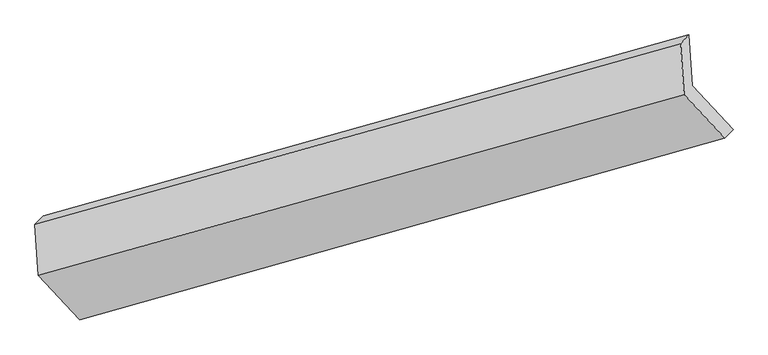
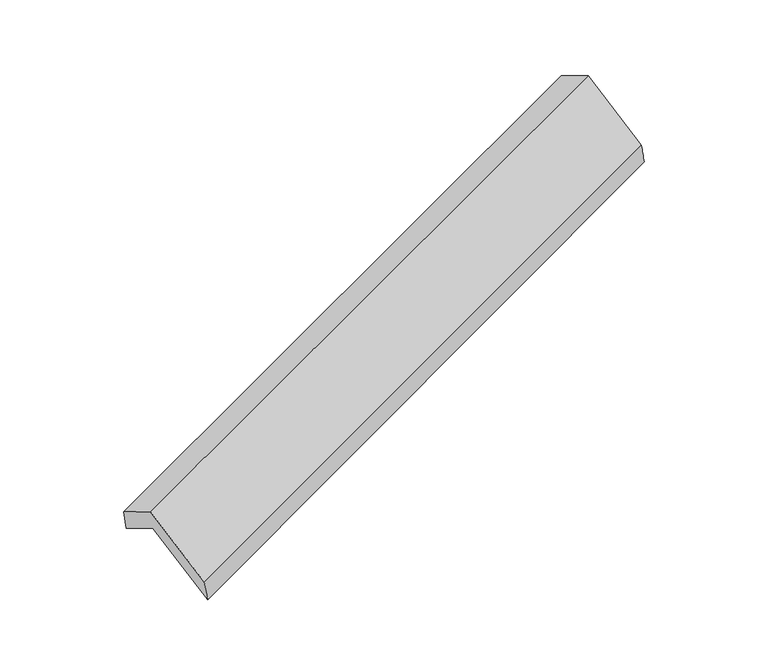
"""IFC4 building model written with IfcOpenShell, lengths in millimetres: proxy geometry."""

from ifc_helpers import new_model, si_unit, frame, origin, place, context, project, spatial, source, transform, mapped, element, save
from ifc_brep_helpers import plane_surface, spline_surface, advanced_brep


def generic_models_34857a9e(model_context):
    return source(origin(), model_context, "Body", "AdvancedBrep", [
        advanced_brep(
        [(-5063.4764803, -2094.8193378, 1295.434845), (-5086.2628541, -1755.8635236, 1095.2760526), (-793.4912094, -550.5170822, 2647.7558676), (-770.7048356, -889.4728963, 2847.9146601), (-5141.3961613, -1813.1116681, 1292.1730053), (-848.6245165, -607.7652266, 2844.6528204), (-5118.6097875, -2152.0674822, 1492.3317978), (-825.8381427, -946.7210408, 3044.8116128), (-4843.8786087, -2446.9799025, 961.6411119), (-555.2296076, -1237.2079756, 2522.0845247), (-4784.6226579, -2394.1572434, 756.7805615), (-500.0963005, -1179.9598312, 2325.187572)],
        [
            (0, 1),
            (1, 2),
            (2, 3),
            (3, 0),
            (1, 4),
            (4, 5),
            (5, 2),
            (4, 6),
            (6, 7),
            (7, 5),
            (6, 8),
            (8, 9),
            (9, 7),
            (8, 10),
            (10, 11),
            (11, 9),
            (10, 0),
            (3, 11),
        ],
        [
            plane_surface(frame((-5074.8696672, -1925.3414307, 1195.3554488), z_axis=(0.41226436488187, -0.4425485384642192, -0.7963597708019484), x_axis=(-0.057789189534578324, 0.8596357614309528, -0.5076285721292317))),
            plane_surface(frame((-5113.8295077, -1784.4875958, 1193.7245289), z_axis=(-0.32539365287102917, 0.9285100272528334, 0.1788521734902634), x_axis=(-0.25965451594332123, -0.26961450353928124, 0.9273012195783561))),
            plane_surface(frame((-5130.0029744, -1982.5895751, 1392.2524015), z_axis=(-0.41226436488187, 0.4425485384642191, 0.7963597708019488), x_axis=(0.057789189534578296, -0.859635761430953, 0.5076285721292315))),
            plane_surface(frame((-4981.2441981, -2299.5236923, 1226.9864549), z_axis=(0.05778918953457507, -0.8596357614309511, 0.5076285721292353), x_axis=(0.4122643648818682, -0.4425485384642241, -0.7963597708019468))),
            spline_surface(1, 1, [[(-4843.8786087, -2446.9799025, 961.6411119), (-555.2296076, -1237.2079756, 2522.0845247)], [(-4784.6226579, -2394.1572434, 756.7805615), (-500.0963005, -1179.9598312, 2325.187572)]], [2, 2], [2, 2], [0.0, 1.0], [0.0, 1.0]),
            plane_surface(frame((-4924.0495691, -2244.4882906, 1026.1077033), z_axis=(-0.057789189534579594, 0.8596357614309562, -0.5076285721292262), x_axis=(-0.41226436488187057, 0.4425485384642135, 0.7963597708019514))),
            plane_surface(frame((-715.6641021, -901.9406755, 2705.4011763), z_axis=(0.9092296206247821, 0.25529815661733, 0.3288226698485194), x_axis=(0.25965451594331823, 0.2696145035393202, -0.9273012195783455))),
            plane_surface(frame((-5006.374425, -2109.4998596, 1148.9395624), z_axis=(-0.9092296206247834, -0.25529815661730865, -0.3288226698485324), x_axis=(0.4122643648818705, -0.44254853846420683, -0.7963597708019552))),
        ],
        [
            (0, [[1, 2, 3, 4]]),
            (1, [[5, 6, 7, -2]]),
            (2, [[8, 9, 10, -6]]),
            (3, [[11, 12, 13, -9]]),
            (4, [[14, 15, 16, -12]]),
            (5, [[17, -4, 18, -15]]),
            (6, [[-16, -18, -3, -7, -10, -13]]),
            (7, [[-17, -14, -11, -8, -5, -1]]),
        ],
    ),
    ])


if __name__ == "__main__":
    model = new_model("IFC4")
    model_context = context("Model", 3, world=origin())
    ifc_project = project(units=[si_unit("LENGTHUNIT", "METRE", prefix="MILLI")], contexts=[model_context])
    site = spatial("IfcSite", under=ifc_project)
    building = spatial("IfcBuilding", under=site)
    placement = place(None, origin())
    generic_models_shape = generic_models_34857a9e(model_context)
    element("IfcBuildingElementProxy", 1, Name="Generic Models", at=placement, inside=building, context=model_context, shape_type="MappedRepresentation", body=[
        mapped(generic_models_shape, transform((0.0, 0.0, 0.0), x_axis=(1.0, 0.0, 0.0), y_axis=(0.0, 1.0, 0.0), z_axis=(0.0, 0.0, 1.0))),
    ])
    save(model, "model.ifc")
